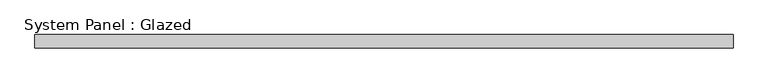
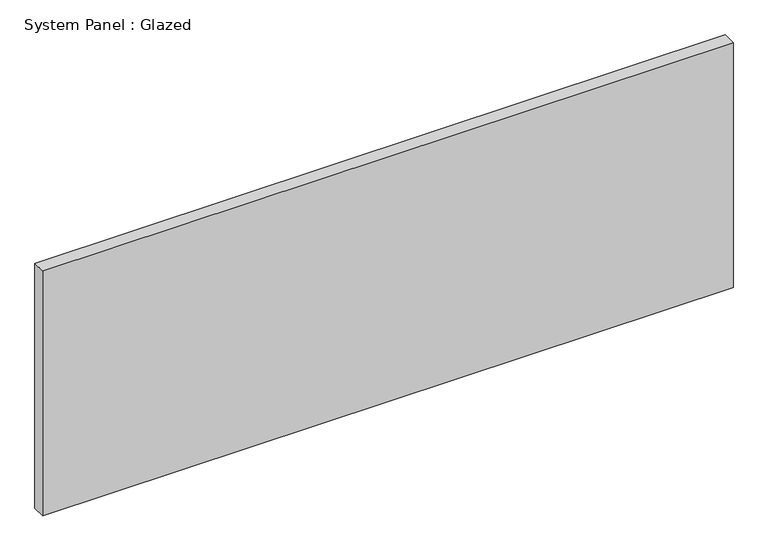
"""IFC4 building model written with IfcOpenShell, lengths in millimetres: plate geometry, System Panel : Glazed."""

from ifc_helpers import new_model, si_unit, origin, origin_with_axes, place, context, project, spatial, polyline, outline, extrude, source, transform, mapped, element, save


def system_panel_glazed_0efe7036(model_context):
    return source(origin(), model_context, "Body", "SweptSolid", [
        extrude(outline(polyline([(661.5833333, -44.45), (-661.5833333, -44.45), (-661.5833333, -19.05), (661.5833333, -19.05), (661.5833333, -44.45)])), origin_with_axes(), (0.0, 0.0, 1.0), 496.35),
    ])


if __name__ == "__main__":
    model = new_model("IFC4")
    model_context = context("Model", 3, world=origin())
    ifc_project = project(units=[si_unit("LENGTHUNIT", "METRE", prefix="MILLI")], contexts=[model_context])
    site = spatial("IfcSite", under=ifc_project)
    building = spatial("IfcBuilding", under=site)
    placement = place(None, origin())
    system_panel_glazed_shape = system_panel_glazed_0efe7036(model_context)
    element("IfcPlate", 1, ObjectType="System Panel : Glazed", at=placement, inside=building, context=model_context, shape_type="MappedRepresentation", body=[
        mapped(system_panel_glazed_shape, transform((0.0, 0.0, 0.0), x_axis=(1.0, 0.0, 0.0), y_axis=(0.0, 1.0, 0.0), z_axis=(0.0, 0.0, 1.0))),
    ])
    save(model, "model.ifc")
